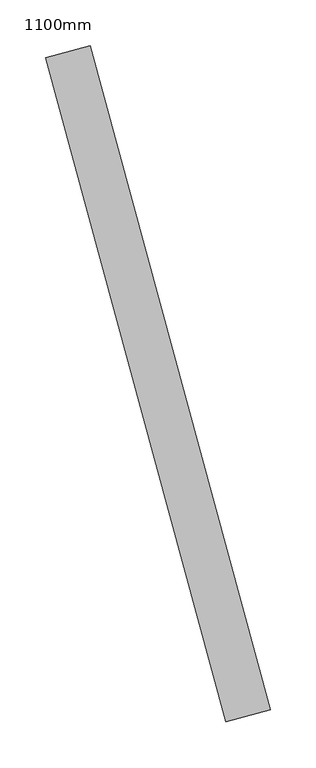
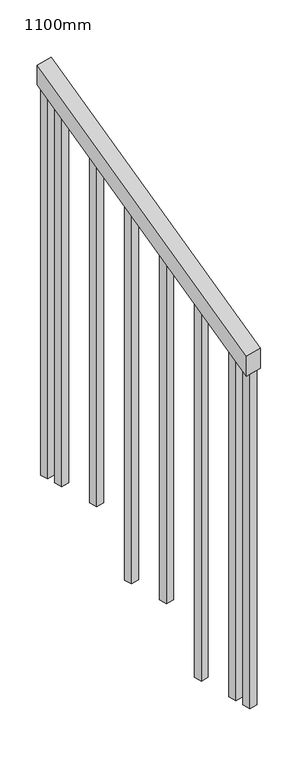
"""IFC4 building model written with IfcOpenShell, lengths in millimetres: railing geometry, 1100mm."""

from ifc_helpers import new_model, si_unit, frame, origin, place, context, project, spatial, polyline, outline, extrude, source, transform, mapped, element, save


def railing_1100mm_d5f33b9e(model_context):
    return source(origin(), model_context, "Body", "SweptSolid", [
        extrude(outline(polyline([(-35.5555555, -50.0), (0.0, 0.0), (920.2958461, 0.0), (884.7402905, -50.0), (-35.5555555, -50.0)])), frame((168960.3037529, 75228.8434329, 1277.7777778), z_axis=(0.9649894123601837, 0.26228883703418915, 0.0), x_axis=(-0.2137536843159557, 0.7864232597553938, 0.5795237863600209)), (0.0, 0.0, 1.0), 50.0),
        extrude(outline(polyline([(1271.980277, -25.0), (108.8888889, -25.0), (91.1111112, 0.0), (1271.980277, 0.0), (1271.980277, -25.0)])), frame((168788.7639347, 75907.614632, 1805.3136103), z_axis=(0.9649894123601837, 0.26228883703418915, 0.0), x_axis=(0.0, 0.0, -1.0)), (0.0, 0.0, 1.0), 25.0),
        extrude(outline(polyline([(1183.0913881, -25.0), (108.8888889, -25.0), (91.1111111, 0.0), (1183.0913881, 0.0), (1183.0913881, -25.0)])), frame((168821.5500393, 75786.9909554, 1716.4247214), z_axis=(0.9649894123601837, 0.26228883703418915, 0.0), x_axis=(0.0, 0.0, -1.0)), (0.0, 0.0, 1.0), 25.0),
        extrude(outline(polyline([(1271.9802769, -25.0), (108.8888889, -25.0), (91.1111111, 0.0), (1271.9802769, 0.0), (1271.9802769, -25.0)])), frame((168854.3361439, 75666.3672789, 1627.5358325), z_axis=(0.9649894123601837, 0.26228883703418915, 0.0), x_axis=(0.0, 0.0, -1.0)), (0.0, 0.0, 1.0), 25.0),
        extrude(outline(polyline([(1183.091388, -25.0), (108.8888889, -25.0), (91.1111111, 0.0), (1183.091388, 0.0), (1183.091388, -25.0)])), frame((168887.1222485, 75545.7436023, 1538.6469436), z_axis=(0.9649894123601837, 0.26228883703418915, 0.0), x_axis=(0.0, 0.0, -1.0)), (0.0, 0.0, 1.0), 25.0),
        extrude(outline(polyline([(1271.9802769, -25.0), (108.8888889, -25.0), (91.1111111, 0.0), (1271.9802769, 0.0), (1271.9802769, -25.0)])), frame((168919.9083532, 75425.1199258, 1449.7580547), z_axis=(0.9649894123601837, 0.26228883703418915, 0.0), x_axis=(0.0, 0.0, -1.0)), (0.0, 0.0, 1.0), 25.0),
        extrude(outline(polyline([(1183.091388, -25.0000001), (108.8888889, -25.0000001), (91.1111111, 0.0), (1183.091388, 0.0), (1183.091388, -25.0000001)])), frame((168952.6944578, 75304.4962493, 1360.8691658), z_axis=(0.9649894123601837, 0.26228883703418915, 0.0), x_axis=(0.0, 0.0, -1.0)), (0.0, 0.0, 1.0), 25.0),
        extrude(outline(polyline([(1307.5358325, -25.0), (108.8888889, -25.0), (91.1111111, 0.0), (1307.5358325, 0.0), (1307.5358325, -25.0)])), frame((168775.6494928, 75955.8641026, 1840.8691658), z_axis=(0.9649894123601837, 0.26228883703418915, 0.0), x_axis=(0.0, 0.0, -1.0)), (0.0, 0.0, 1.0), 25.0),
        extrude(outline(polyline([(1147.5358325, -25.0), (108.8888889, -25.0), (91.1111112, 0.0), (1147.5358325, 0.0), (1147.5358325, -25.0)])), frame((168965.8088997, 75256.2467786, 1325.3136103), z_axis=(0.9649894123601837, 0.26228883703418915, 0.0), x_axis=(0.0, 0.0, -1.0)), (0.0, 0.0, 1.0), 25.0),
    ])


if __name__ == "__main__":
    model = new_model("IFC4")
    model_context = context("Model", 3, world=origin())
    ifc_project = project(units=[si_unit("LENGTHUNIT", "METRE", prefix="MILLI")], contexts=[model_context])
    site = spatial("IfcSite", under=ifc_project)
    building = spatial("IfcBuilding", under=site)
    placement = place(None, origin())
    railing_1100mm_shape = railing_1100mm_d5f33b9e(model_context)
    element("IfcRailing", 1, ObjectType="1100mm", at=placement, inside=building, context=model_context, shape_type="MappedRepresentation", body=[
        mapped(railing_1100mm_shape, transform((0.0, 0.0, 0.0), x_axis=(1.0, 0.0, 0.0), y_axis=(0.0, 1.0, 0.0), z_axis=(0.0, 0.0, 1.0))),
    ])
    save(model, "model.ifc")
